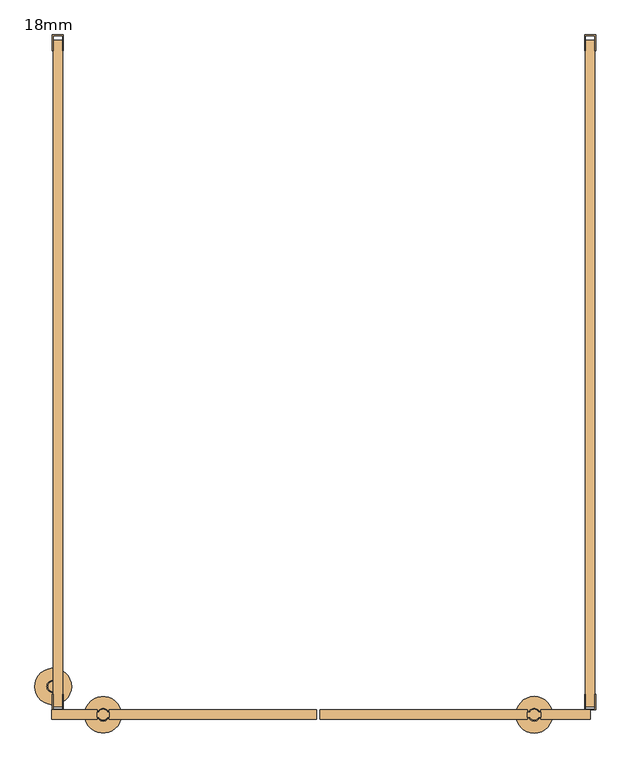
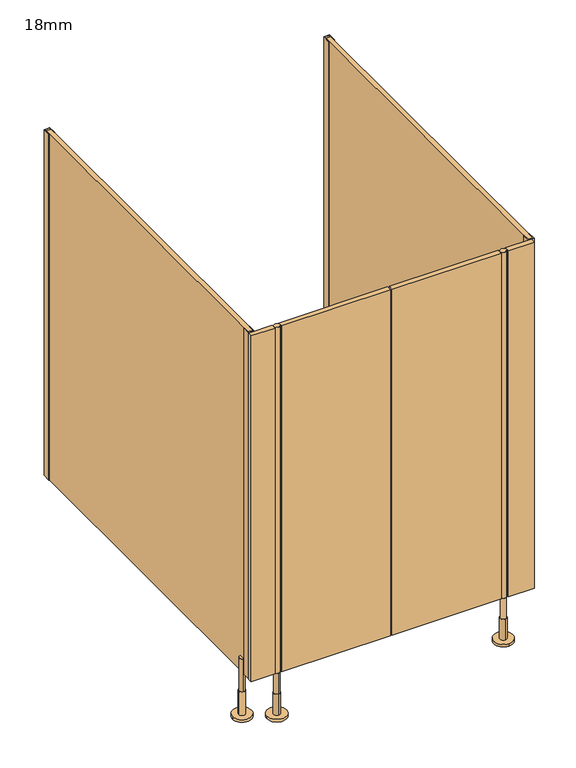
"""IFC4 building model written with IfcOpenShell, lengths in millimetres: door geometry, 18mm."""

from ifc_helpers import new_model, si_unit, point, frame, frame_2d, origin, place, context, project, spatial, polyline, circle_curve, trimmed, segment, composite_curve, outline, extrude, source, transform, mapped, element, save
from ifc_brep_helpers import plane_surface, cylinder_surface, advanced_brep


def door_18mm_e1eda71b(model_context):
    return source(origin(), model_context, "Body", "SolidModel", [
        extrude(outline(composite_curve([segment(trimmed(circle_curve(frame_2d((-422.5, -1299.0)), 10.0), [point((-426.8588989, -1290.0))], [point((-418.1411011, -1290.0))], False, "CARTESIAN"), True, "CONTINUOUS"), segment(trimmed(circle_curve(frame_2d((-422.5, -1299.0)), 10.0), [point((-418.1411011, -1290.0))], [point((-413.8391323, -1294.0010631))], False, "CARTESIAN"), True, "CONTINUOUS"), segment(polyline([(-413.8391323, -1294.0010631), (-411.0, -1294.0010631), (-411.0, -1303.9989369), (-413.8391323, -1303.9989369)]), True, "CONTINUOUS"), segment(trimmed(circle_curve(frame_2d((-422.5, -1299.0)), 10.0), [point((-413.8391323, -1303.9989369))], [point((-431.1608677, -1303.9989369))], False, "CARTESIAN"), True, "CONTINUOUS"), segment(polyline([(-431.1608677, -1303.9989369), (-434.0, -1303.9989369), (-434.0, -1294.0010631), (-431.1608677, -1294.0010631)]), True, "CONTINUOUS"), segment(trimmed(circle_curve(frame_2d((-422.5, -1299.0)), 10.0), [point((-431.1608677, -1294.0010631))], [point((-426.8588989, -1290.0))], False, "CARTESIAN"), True, "CONTINUOUS")], self_intersect=False)), frame((0.0, 0.0, 170.0), z_axis=(0.0, 0.0, 1.0), x_axis=(1.0, 0.0, 0.0)), (0.0, 0.0, 1.0), 1330.0),
        extrude(outline(composite_curve([segment(trimmed(circle_curve(frame_2d((402.0, -1299.0)), 10.0), [point((410.6608677, -1303.9989369))], [point((393.3391323, -1303.9989369))], False, "CARTESIAN"), True, "CONTINUOUS"), segment(polyline([(393.3391323, -1303.9989369), (389.0, -1303.9989369), (389.0, -1294.0010631), (393.3391323, -1294.0010631)]), True, "CONTINUOUS"), segment(trimmed(circle_curve(frame_2d((402.0, -1299.0)), 10.0), [point((393.3391323, -1294.0010631))], [point((410.6608677, -1294.0010631))], False, "CARTESIAN"), True, "CONTINUOUS"), segment(polyline([(410.6608677, -1294.0010631), (415.0, -1294.0010631), (415.0, -1303.9989369), (410.6608677, -1303.9989369)]), True, "CONTINUOUS")], self_intersect=False)), frame((0.0, 0.0, 170.0), z_axis=(0.0, 0.0, 1.0), x_axis=(1.0, 0.0, 0.0)), (0.0, 0.0, 1.0), 1330.0),
        extrude(outline(polyline([(-7.9997797, -1290.0), (389.0, -1290.0), (389.0, -1308.0), (-7.9997797, -1308.0), (-7.9997797, -1290.0)])), frame((0.0, 0.0, 170.0), z_axis=(0.0, 0.0, 1.0), x_axis=(1.0, 0.0, 0.0)), (0.0, 0.0, 1.0), 1330.0),
        extrude(outline(polyline([(-14.0002203, -1308.0), (-411.0, -1308.0), (-411.0, -1290.0), (-14.0002203, -1290.0), (-14.0002203, -1308.0)])), frame((0.0, 0.0, 170.0), z_axis=(0.0, 0.0, 1.0), x_axis=(1.0, 0.0, 0.0)), (0.0, 0.0, 1.0), 1330.0),
        advanced_brep(
        [(412.0, -1299.0, 170.0), (392.0, -1299.0, 170.0), (392.0, -1299.0, 90.0), (412.0, -1299.0, 90.0), (402.0, -1287.0, 90.0), (402.0, -1311.0, 90.0), (402.0, -1287.0, 10.0), (402.0, -1311.0, 10.0), (402.0, -1264.0, 10.0), (402.0, -1334.0, 10.0), (402.0, -1264.0, 0.0), (402.0, -1334.0, 0.0)],
        [
            (0, 1, circle_curve(frame((402.0, -1299.0, 170.0), z_axis=(0.0, 0.0, 1.0), x_axis=(-1.0, 0.0, 0.0)), 10.0)),
            (1, 0, circle_curve(frame((402.0, -1299.0, 170.0), z_axis=(0.0, 0.0, 1.0), x_axis=(-1.0, 0.0, 0.0)), 10.0)),
            (1, 2),
            (2, 3, circle_curve(frame((402.0, -1299.0, 90.0), z_axis=(0.0, 0.0, 1.0), x_axis=(-1.0, 0.0, 0.0)), 10.0)),
            (3, 0),
            (3, 2, circle_curve(frame((402.0, -1299.0, 90.0), z_axis=(0.0, 0.0, 1.0), x_axis=(-1.0, 0.0, 0.0)), 10.0)),
            (4, 5, circle_curve(frame((402.0, -1299.0, 90.0), z_axis=(0.0, 0.0, 1.0), x_axis=(0.0, -1.0, 0.0)), 12.0)),
            (5, 4, circle_curve(frame((402.0, -1299.0, 90.0), z_axis=(0.0, 0.0, 1.0), x_axis=(0.0, -1.0, 0.0)), 12.0)),
            (4, 6),
            (6, 7, circle_curve(frame((402.0, -1299.0, 10.0), z_axis=(0.0, 0.0, 1.0), x_axis=(0.0, -1.0, 0.0)), 12.0)),
            (7, 5),
            (7, 6, circle_curve(frame((402.0, -1299.0, 10.0), z_axis=(0.0, 0.0, 1.0), x_axis=(0.0, -1.0, 0.0)), 12.0)),
            (8, 9, circle_curve(frame((402.0, -1299.0, 10.0), z_axis=(0.0, 0.0, 1.0), x_axis=(0.0, -1.0, 0.0)), 35.0)),
            (9, 8, circle_curve(frame((402.0, -1299.0, 10.0), z_axis=(0.0, 0.0, 1.0), x_axis=(0.0, -1.0, 0.0)), 35.0)),
            (10, 11, circle_curve(frame((402.0, -1299.0, 0.0), z_axis=(0.0, 0.0, -1.0), x_axis=(0.0, -1.0, 0.0)), 35.0)),
            (11, 10, circle_curve(frame((402.0, -1299.0, 0.0), z_axis=(0.0, 0.0, -1.0), x_axis=(0.0, -1.0, 0.0)), 35.0)),
            (8, 10),
            (11, 9),
        ],
        [
            plane_surface(frame((402.0, -1290.0, 170.0), z_axis=(0.0, 0.0, 1.0), x_axis=(0.0, -1.0, 0.0))),
            cylinder_surface(frame((402.0, -1299.0, 90.0), z_axis=(0.0, 0.0, -1.0), x_axis=(-1.0, 0.0, 0.0)), 10.0),
            plane_surface(frame((402.0, -1290.0, 90.0), z_axis=(0.0, 0.0, 1.0), x_axis=(0.0, -1.0, 0.0))),
            cylinder_surface(frame((402.0, -1299.0, 90.0), z_axis=(0.0, 0.0, 1.0), x_axis=(0.0, -1.0, 0.0)), 12.0),
            plane_surface(frame((402.0, -1290.0, 10.0), z_axis=(0.0, 0.0, 1.0), x_axis=(0.0, -1.0, 0.0))),
            plane_surface(frame((402.0, -1290.0, 0.0), z_axis=(0.0, 0.0, -1.0), x_axis=(0.0, -1.0, 0.0))),
            cylinder_surface(frame((402.0, -1299.0, 10.0), z_axis=(0.0, 0.0, 1.0), x_axis=(0.0, -1.0, 0.0)), 35.0),
        ],
        [
            (0, [[1, 2]]),
            (1, [[-2, 3, 4, 5]]),
            (1, [[-1, -5, 6, -3]]),
            (2, [[7, 8], [-4, -6]]),
            (3, [[-7, 9, 10, 11]]),
            (3, [[-8, -11, 12, -9]]),
            (4, [[13, 14], [-10, -12]]),
            (5, [[15, 16]]),
            (6, [[-13, 17, -16, 18]]),
            (6, [[-14, -18, -15, -17]]),
        ],
    ),
        advanced_brep(
        [(-422.5, -1309.0, 170.0), (-422.5, -1289.0, 170.0), (-422.5, -1289.0, 90.0), (-422.5, -1309.0, 90.0), (-422.5, -1287.0, 90.0), (-422.5, -1311.0, 90.0), (-422.5, -1287.0, 10.0), (-422.5, -1311.0, 10.0), (-387.5, -1299.0, 0.0), (-457.5, -1299.0, 0.0), (-387.5, -1299.0, 10.0), (-457.5, -1299.0, 10.0)],
        [
            (0, 1, circle_curve(frame((-422.5, -1299.0, 170.0), z_axis=(0.0, 0.0, -1.0), x_axis=(0.0, -1.0, 0.0)), 10.0)),
            (1, 2),
            (2, 3, circle_curve(frame((-422.5, -1299.0, 90.0), z_axis=(0.0, 0.0, 1.0), x_axis=(0.0, -1.0, 0.0)), 10.0)),
            (3, 0),
            (1, 0, circle_curve(frame((-422.5, -1299.0, 170.0), z_axis=(0.0, 0.0, -1.0), x_axis=(0.0, -1.0, 0.0)), 10.0)),
            (3, 2, circle_curve(frame((-422.5, -1299.0, 90.0), z_axis=(0.0, 0.0, 1.0), x_axis=(0.0, -1.0, 0.0)), 10.0)),
            (4, 5, circle_curve(frame((-422.5, -1299.0, 90.0), z_axis=(0.0, 0.0, 1.0), x_axis=(0.0, -1.0, 0.0)), 12.0)),
            (5, 4, circle_curve(frame((-422.5, -1299.0, 90.0), z_axis=(0.0, 0.0, 1.0), x_axis=(0.0, -1.0, 0.0)), 12.0)),
            (4, 6),
            (6, 7, circle_curve(frame((-422.5, -1299.0, 10.0), z_axis=(0.0, 0.0, 1.0), x_axis=(0.0, -1.0, 0.0)), 12.0)),
            (7, 5),
            (7, 6, circle_curve(frame((-422.5, -1299.0, 10.0), z_axis=(0.0, 0.0, 1.0), x_axis=(0.0, -1.0, 0.0)), 12.0)),
            (8, 9, circle_curve(frame((-422.5, -1299.0, 0.0), z_axis=(0.0, 0.0, -1.0), x_axis=(-1.0, 0.0, 0.0)), 35.0)),
            (9, 8, circle_curve(frame((-422.5, -1299.0, 0.0), z_axis=(0.0, 0.0, -1.0), x_axis=(-1.0, 0.0, 0.0)), 35.0)),
            (10, 11, circle_curve(frame((-422.5, -1299.0, 10.0), z_axis=(0.0, 0.0, 1.0), x_axis=(-1.0, 0.0, 0.0)), 35.0)),
            (11, 10, circle_curve(frame((-422.5, -1299.0, 10.0), z_axis=(0.0, 0.0, 1.0), x_axis=(-1.0, 0.0, 0.0)), 35.0)),
            (8, 10),
            (11, 9),
        ],
        [
            cylinder_surface(frame((-422.5, -1299.0, 170.0), z_axis=(0.0, 0.0, 1.0), x_axis=(0.0, -1.0, 0.0)), 10.0),
            plane_surface(frame((-422.5, -1290.0, 90.0), z_axis=(0.0, 0.0, 1.0), x_axis=(0.0, -1.0, 0.0))),
            cylinder_surface(frame((-422.5, -1299.0, 90.0), z_axis=(0.0, 0.0, 1.0), x_axis=(0.0, -1.0, 0.0)), 12.0),
            plane_surface(frame((-422.5, -1290.0, 0.0), z_axis=(0.0, 0.0, -1.0), x_axis=(0.0, -1.0, 0.0))),
            plane_surface(frame((-422.5, -1290.0, 10.0), z_axis=(0.0, 0.0, 1.0), x_axis=(0.0, -1.0, 0.0))),
            cylinder_surface(frame((-422.5, -1299.0, 0.0), z_axis=(0.0, 0.0, -1.0), x_axis=(-1.0, 0.0, 0.0)), 35.0),
            plane_surface(frame((-422.5, -1290.0, 170.0), z_axis=(0.0, 0.0, 1.0), x_axis=(0.0, -1.0, 0.0))),
        ],
        [
            (0, [[1, 2, 3, 4]]),
            (0, [[5, -4, 6, -2]]),
            (1, [[7, 8], [-3, -6]]),
            (2, [[-7, 9, 10, 11]]),
            (2, [[-8, -11, 12, -9]]),
            (3, [[13, 14]]),
            (4, [[15, 16], [-10, -12]]),
            (5, [[-13, 17, -16, 18]]),
            (5, [[-14, -18, -15, -17]]),
            (6, [[-1, -5]]),
        ],
    ),
        extrude(outline(polyline([(498.5, 0.0), (519.5, 0.0), (519.5, -30.0), (518.0, -30.0), (518.0, -1.5), (500.0, -1.5), (500.0, -30.0), (498.5, -30.0), (498.5, 0.0)])), frame((0.0, 0.0, 170.0), z_axis=(0.0, 0.0, 1.0), x_axis=(1.0, 0.0, 0.0)), (0.0, 0.0, 1.0), 1330.0),
        extrude(outline(polyline([(-519.5, 0.0), (-498.5, 0.0), (-498.5, -30.0), (-500.0, -30.0), (-500.0, -1.5), (-518.0, -1.5), (-518.0, -30.0), (-519.5, -30.0), (-519.5, 0.0)])), frame((0.0, 0.0, 170.0), z_axis=(0.0, 0.0, 1.0), x_axis=(1.0, 0.0, 0.0)), (0.0, 0.0, 1.0), 1330.0),
        extrude(outline(polyline([(415.0, -1290.0), (509.0, -1290.0), (509.0, -1308.0), (415.0, -1308.0), (415.0, -1290.0)])), frame((0.0, 0.0, 170.0), z_axis=(0.0, 0.0, 1.0), x_axis=(1.0, 0.0, 0.0)), (0.0, 0.0, 1.0), 1330.0),
        extrude(outline(polyline([(-434.0, -1290.0), (-434.0, -1308.0), (-521.0, -1308.0), (-521.0, -1290.0), (-434.0, -1290.0)])), frame((0.0, 0.0, 170.0), z_axis=(0.0, 0.0, 1.0), x_axis=(1.0, 0.0, 0.0)), (0.0, 0.0, 1.0), 1330.0),
        extrude(outline(polyline([(519.5, -1290.0), (498.5, -1290.0), (498.5, -1260.0), (500.0, -1260.0), (500.0, -1288.5), (518.0, -1288.5), (518.0, -1260.0), (519.5, -1260.0), (519.5, -1290.0)])), frame((0.0, 0.0, 170.0), z_axis=(0.0, 0.0, 1.0), x_axis=(1.0, 0.0, 0.0)), (0.0, 0.0, 1.0), 1330.0),
        extrude(outline(polyline([(-498.5, -1290.0), (-519.5, -1290.0), (-519.5, -1260.0), (-518.0, -1260.0), (-518.0, -1288.5), (-500.0, -1288.5), (-500.0, -1260.0), (-498.5, -1260.0), (-498.5, -1290.0)])), frame((0.0, 0.0, 170.0), z_axis=(0.0, 0.0, 1.0), x_axis=(1.0, 0.0, 0.0)), (0.0, 0.0, 1.0), 1330.0),
        advanced_brep(
        [(-553.0, -1245.0, 0.0), (-483.0, -1245.0, 0.0), (-553.0, -1245.0, 10.0), (-483.0, -1245.0, 10.0), (-530.0, -1245.0, 10.0), (-506.0, -1245.0, 10.0), (-530.0, -1245.0, 100.0), (-506.0, -1245.0, 100.0), (-518.0, -1235.0, 100.0), (-518.0, -1255.0, 100.0), (-518.0, -1255.0, 225.5), (-518.0, -1235.0, 225.5)],
        [
            (0, 1, circle_curve(frame((-518.0, -1245.0, 0.0), z_axis=(0.0, 0.0, -1.0), x_axis=(1.0, 0.0, 0.0)), 35.0)),
            (1, 0, circle_curve(frame((-518.0, -1245.0, 0.0), z_axis=(0.0, 0.0, -1.0), x_axis=(1.0, 0.0, 0.0)), 35.0)),
            (2, 3, circle_curve(frame((-518.0, -1245.0, 10.0), z_axis=(0.0, 0.0, 1.0), x_axis=(1.0, 0.0, 0.0)), 35.0)),
            (3, 2, circle_curve(frame((-518.0, -1245.0, 10.0), z_axis=(0.0, 0.0, 1.0), x_axis=(1.0, 0.0, 0.0)), 35.0)),
            (4, 5, circle_curve(frame((-518.0, -1245.0, 10.0), z_axis=(0.0, 0.0, -1.0), x_axis=(1.0, 0.0, 0.0)), 12.0)),
            (5, 4, circle_curve(frame((-518.0, -1245.0, 10.0), z_axis=(0.0, 0.0, -1.0), x_axis=(1.0, 0.0, 0.0)), 12.0)),
            (0, 2),
            (3, 1),
            (6, 7, circle_curve(frame((-518.0, -1245.0, 100.0), z_axis=(0.0, 0.0, 1.0), x_axis=(1.0, 0.0, 0.0)), 12.0)),
            (7, 6, circle_curve(frame((-518.0, -1245.0, 100.0), z_axis=(0.0, 0.0, 1.0), x_axis=(1.0, 0.0, 0.0)), 12.0)),
            (8, 9, circle_curve(frame((-518.0, -1245.0, 100.0), z_axis=(0.0, 0.0, -1.0), x_axis=(0.0, 1.0, 0.0)), 10.0)),
            (9, 8, circle_curve(frame((-518.0, -1245.0, 100.0), z_axis=(0.0, 0.0, -1.0), x_axis=(0.0, 1.0, 0.0)), 10.0)),
            (7, 5),
            (4, 6),
            (10, 11, circle_curve(frame((-518.0, -1245.0, 225.5), z_axis=(0.0, 0.0, 1.0), x_axis=(0.0, 1.0, 0.0)), 10.0)),
            (11, 10, circle_curve(frame((-518.0, -1245.0, 225.5), z_axis=(0.0, 0.0, 1.0), x_axis=(0.0, 1.0, 0.0)), 10.0)),
            (10, 9),
            (8, 11),
        ],
        [
            plane_surface(frame((-509.0, -1299.0, 0.0), z_axis=(0.0, 0.0, -1.0), x_axis=(0.0, 1.0, 0.0))),
            plane_surface(frame((-509.0, -1299.0, 10.0), z_axis=(0.0, 0.0, 1.0), x_axis=(0.0, 1.0, 0.0))),
            cylinder_surface(frame((-518.0, -1245.0, 0.0), z_axis=(0.0, 0.0, -1.0), x_axis=(1.0, 0.0, 0.0)), 35.0),
            plane_surface(frame((-509.0, -1405.0, 100.0), z_axis=(0.0, 0.0, 1.0), x_axis=(0.0, 1.0, 0.0))),
            cylinder_surface(frame((-518.0, -1245.0, 10.0), z_axis=(0.0, 0.0, -1.0), x_axis=(1.0, 0.0, 0.0)), 12.0),
            plane_surface(frame((-509.0, -1299.0, 225.5), z_axis=(0.0, 0.0, 1.0), x_axis=(0.0, 1.0, 0.0))),
            cylinder_surface(frame((-518.0, -1245.0, 225.5), z_axis=(0.0, 0.0, 1.0), x_axis=(0.0, 1.0, 0.0)), 10.0),
        ],
        [
            (0, [[1, 2]]),
            (1, [[3, 4], [5, 6]]),
            (2, [[-1, 7, -4, 8]]),
            (2, [[-2, -8, -3, -7]]),
            (3, [[9, 10], [11, 12]]),
            (4, [[-10, 13, -5, 14]]),
            (4, [[-9, -14, -6, -13]]),
            (5, [[15, 16]]),
            (6, [[-15, 17, -11, 18]]),
            (6, [[-16, -18, -12, -17]]),
        ],
    ),
        extrude(outline(polyline([(518.0, -10.0), (518.0, -1284.0), (500.0, -1284.0), (500.0, -10.0), (518.0, -10.0)])), frame((0.0, 0.0, 170.0), z_axis=(0.0, 0.0, 1.0), x_axis=(1.0, 0.0, 0.0)), (0.0, 0.0, 1.0), 1330.0),
        extrude(outline(polyline([(-518.0, -10.0), (-500.0, -10.0), (-500.0, -1284.0), (-518.0, -1284.0), (-518.0, -10.0)])), frame((0.0, 0.0, 170.0), z_axis=(0.0, 0.0, 1.0), x_axis=(1.0, 0.0, 0.0)), (0.0, 0.0, 1.0), 1330.0),
    ])


if __name__ == "__main__":
    model = new_model("IFC4")
    model_context = context("Model", 3, world=origin())
    ifc_project = project(units=[si_unit("LENGTHUNIT", "METRE", prefix="MILLI")], contexts=[model_context])
    site = spatial("IfcSite", under=ifc_project)
    building = spatial("IfcBuilding", under=site)
    placement = place(None, origin())
    door_18mm_shape = door_18mm_e1eda71b(model_context)
    element("IfcDoor", 1, ObjectType="18mm", at=placement, inside=building, context=model_context, shape_type="MappedRepresentation", body=[
        mapped(door_18mm_shape, transform((0.0, 0.0, 0.0), x_axis=(1.0, 0.0, 0.0), y_axis=(0.0, 1.0, 0.0), z_axis=(0.0, 0.0, 1.0))),
    ])
    save(model, "model.ifc")
